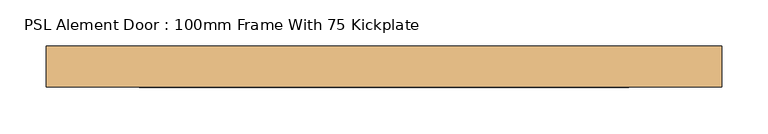
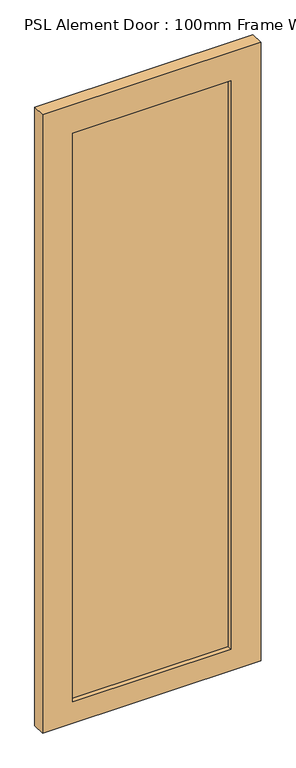
"""IFC4 building model written with IfcOpenShell, lengths in millimetres: door geometry, PSL Alement Door : 100mm Frame With 75 Kickplate."""

from ifc_helpers import new_model, si_unit, frame, origin, place, context, project, spatial, polyline, outline, extrude, source, transform, mapped, element, save


def psl_alement_door_100mm_frame_with_75_kickplate_f4b67a6f(model_context):
    return source(origin(), model_context, "Body", "SweptSolid", [
        extrude(outline(polyline([(263.5, -6.0), (-263.5, -6.0), (-263.5, 6.0), (263.5, 6.0), (263.5, -6.0)])), frame((0.0, 0.0, 75.0), z_axis=(0.0, 0.0, 1.0), x_axis=(1.0, 0.0, 0.0)), (0.0, 0.0, 1.0), 1999.0),
        extrude(outline(polyline([(0.0, -363.5), (0.0, 363.5), (2174.0, 363.5), (2174.0, -363.5), (0.0, -363.5)]), holes=[polyline([(2074.0, 263.5), (75.0, 263.5), (75.0, -263.5), (2074.0, -263.5), (2074.0, 263.5)])]), frame((0.0, -22.0, 0.0), z_axis=(0.0, 1.0, 0.0), x_axis=(0.0, 0.0, 1.0)), (0.0, 0.0, 1.0), 44.0),
    ])


if __name__ == "__main__":
    model = new_model("IFC4")
    model_context = context("Model", 3, world=origin())
    ifc_project = project(units=[si_unit("LENGTHUNIT", "METRE", prefix="MILLI")], contexts=[model_context])
    site = spatial("IfcSite", under=ifc_project)
    building = spatial("IfcBuilding", under=site)
    placement = place(None, origin())
    psl_alement_door_100mm_frame_with_75_kickplate_shape = psl_alement_door_100mm_frame_with_75_kickplate_f4b67a6f(model_context)
    element("IfcDoor", 1, ObjectType="PSL Alement Door : 100mm Frame With 75 Kickplate", at=placement, inside=building, context=model_context, shape_type="MappedRepresentation", body=[
        mapped(psl_alement_door_100mm_frame_with_75_kickplate_shape, transform((0.0, 0.0, 0.0), x_axis=(1.0, 0.0, 0.0), y_axis=(0.0, 1.0, 0.0), z_axis=(0.0, 0.0, 1.0))),
    ])
    save(model, "model.ifc")
